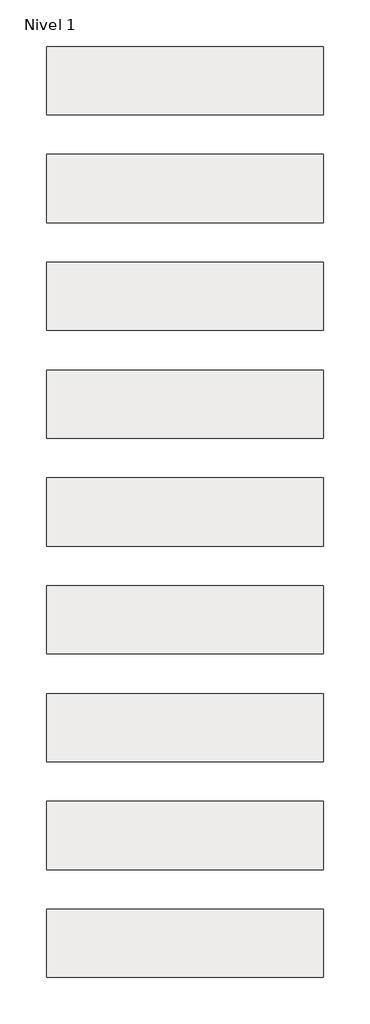
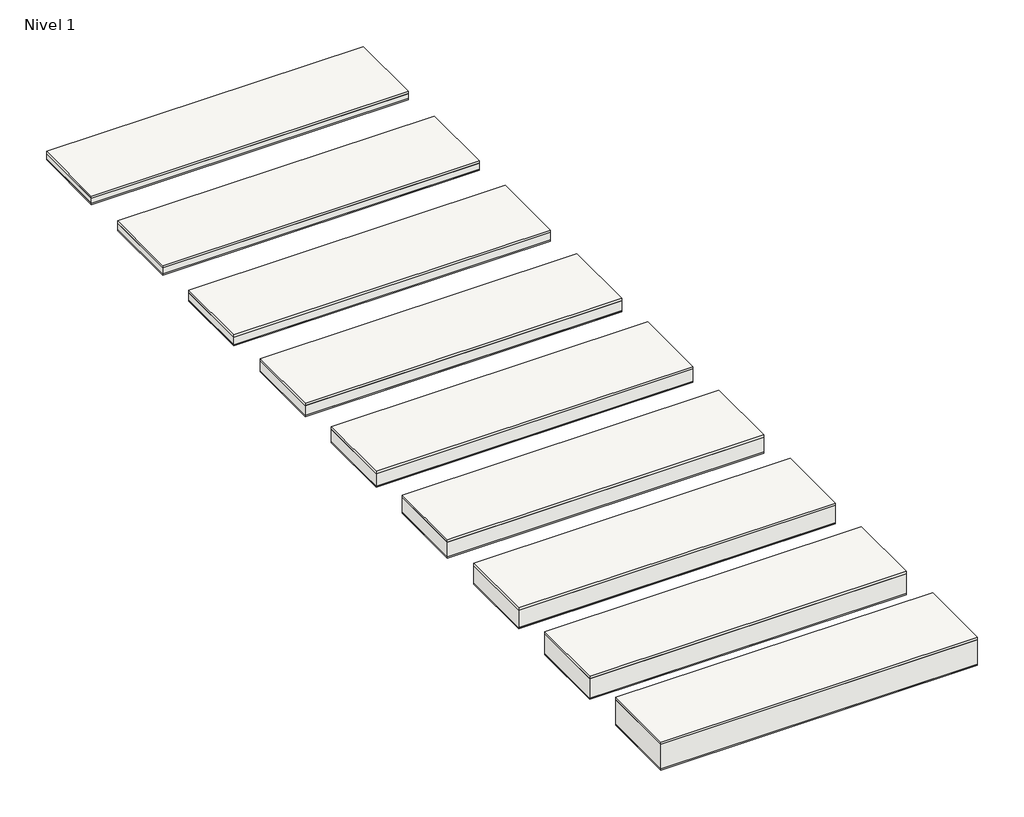
# One storey: 9 roofs.
"""IFC4 building model written with IfcOpenShell, lengths in millimetres."""

from ifc_helpers import new_model, si_unit, frame, origin, origin_with_axes, place, context, project, spatial, polyline, outline, extrude, element, save

model = new_model("IFC4")

# Units and contexts
model_context = context("Model", 3, world=origin())
ifc_project = project(units=[si_unit("LENGTHUNIT", "METRE", prefix="MILLI")], contexts=[model_context])

# Site, building, storey
site = spatial("IfcSite", under=ifc_project)
building = spatial("IfcBuilding", under=site)
storey = spatial("IfcBuildingStorey", under=building, Name="Nivel 1", Elevation=0.0)

# Roofs
placement = place(None, origin())
element("IfcRoof", 1, at=placement, inside=storey, context=model_context, shape_type="SweptSolid", body=[
    extrude(outline(polyline([(-3824.6699095, -6894.5376473), (-1384.6699095, -6894.5376473), (-1384.6699095, -7494.5376473), (-3824.6699095, -7494.5376473), (-3824.6699095, -6894.5376473)])), frame((0.0, 0.0, 60.0), z_axis=(0.0, 0.0, 1.0), x_axis=(1.0, 0.0, 0.0)), (0.0, 0.0, 1.0), 19.0),
    extrude(outline(polyline([(-3824.6699095, -6894.5376473), (-1384.6699095, -6894.5376473), (-1384.6699095, -7494.5376473), (-3824.6699095, -7494.5376473), (-3824.6699095, -6894.5376473)])), frame((0.0, 0.0, 10.0), z_axis=(0.0, 0.0, 1.0), x_axis=(1.0, 0.0, 0.0)), (0.0, 0.0, 1.0), 50.0),
    extrude(outline(polyline([(-3824.6699095, -6894.5376473), (-1384.6699095, -6894.5376473), (-1384.6699095, -7494.5376473), (-3824.6699095, -7494.5376473), (-3824.6699095, -6894.5376473)])), origin_with_axes(), (0.0, 0.0, 1.0), 10.0),
])
element("IfcRoof", 2, at=placement, inside=storey, context=model_context, shape_type="SweptSolid", body=[
    extrude(outline(polyline([(-3824.6699095, -5944.5376473), (-1384.6699095, -5944.5376473), (-1384.6699095, -6544.5376473), (-3824.6699095, -6544.5376473), (-3824.6699095, -5944.5376473)])), frame((0.0, 0.0, 50.0), z_axis=(0.0, 0.0, 1.0), x_axis=(1.0, 0.0, 0.0)), (0.0, 0.0, 1.0), 19.0),
    extrude(outline(polyline([(-3824.6699095, -5944.5376473), (-1384.6699095, -5944.5376473), (-1384.6699095, -6544.5376473), (-3824.6699095, -6544.5376473), (-3824.6699095, -5944.5376473)])), frame((0.0, 0.0, 10.0), z_axis=(0.0, 0.0, 1.0), x_axis=(1.0, 0.0, 0.0)), (0.0, 0.0, 1.0), 40.0),
    extrude(outline(polyline([(-3824.6699095, -5944.5376473), (-1384.6699095, -5944.5376473), (-1384.6699095, -6544.5376473), (-3824.6699095, -6544.5376473), (-3824.6699095, -5944.5376473)])), origin_with_axes(), (0.0, 0.0, 1.0), 10.0),
])
element("IfcRoof", 3, at=placement, inside=storey, context=model_context, shape_type="SweptSolid", body=[
    extrude(outline(polyline([(-3824.6699095, -7844.5376473), (-1384.6699095, -7844.5376473), (-1384.6699095, -8444.5376473), (-3824.6699095, -8444.5376473), (-3824.6699095, -7844.5376473)])), frame((0.0, 0.0, 70.0), z_axis=(0.0, 0.0, 1.0), x_axis=(1.0, 0.0, 0.0)), (0.0, 0.0, 1.0), 19.0),
    extrude(outline(polyline([(-3824.6699095, -7844.5376473), (-1384.6699095, -7844.5376473), (-1384.6699095, -8444.5376473), (-3824.6699095, -8444.5376473), (-3824.6699095, -7844.5376473)])), frame((0.0, 0.0, 10.0), z_axis=(0.0, 0.0, 1.0), x_axis=(1.0, 0.0, 0.0)), (0.0, 0.0, 1.0), 60.0),
    extrude(outline(polyline([(-3824.6699095, -7844.5376473), (-1384.6699095, -7844.5376473), (-1384.6699095, -8444.5376473), (-3824.6699095, -8444.5376473), (-3824.6699095, -7844.5376473)])), origin_with_axes(), (0.0, 0.0, 1.0), 10.0),
])
element("IfcRoof", 4, at=placement, inside=storey, context=model_context, shape_type="SweptSolid", body=[
    extrude(outline(polyline([(-3824.6699095, -8794.5376473), (-1384.6699095, -8794.5376473), (-1384.6699095, -9394.5376473), (-3824.6699095, -9394.5376473), (-3824.6699095, -8794.5376473)])), frame((0.0, 0.0, 90.0), z_axis=(0.0, 0.0, 1.0), x_axis=(1.0, 0.0, 0.0)), (0.0, 0.0, 1.0), 19.0),
    extrude(outline(polyline([(-3824.6699095, -8794.5376473), (-1384.6699095, -8794.5376473), (-1384.6699095, -9394.5376473), (-3824.6699095, -9394.5376473), (-3824.6699095, -8794.5376473)])), frame((0.0, 0.0, 10.0), z_axis=(0.0, 0.0, 1.0), x_axis=(1.0, 0.0, 0.0)), (0.0, 0.0, 1.0), 80.0),
    extrude(outline(polyline([(-3824.6699095, -8794.5376473), (-1384.6699095, -8794.5376473), (-1384.6699095, -9394.5376473), (-3824.6699095, -9394.5376473), (-3824.6699095, -8794.5376473)])), origin_with_axes(), (0.0, 0.0, 1.0), 10.0),
])
element("IfcRoof", 5, at=placement, inside=storey, context=model_context, shape_type="SweptSolid", body=[
    extrude(outline(polyline([(-3824.6699095, -9744.5376473), (-1384.6699095, -9744.5376473), (-1384.6699095, -10344.5376473), (-3824.6699095, -10344.5376473), (-3824.6699095, -9744.5376473)])), frame((0.0, 0.0, 110.0), z_axis=(0.0, 0.0, 1.0), x_axis=(1.0, 0.0, 0.0)), (0.0, 0.0, 1.0), 19.0),
    extrude(outline(polyline([(-3824.6699095, -9744.5376473), (-1384.6699095, -9744.5376473), (-1384.6699095, -10344.5376473), (-3824.6699095, -10344.5376473), (-3824.6699095, -9744.5376473)])), frame((0.0, 0.0, 10.0), z_axis=(0.0, 0.0, 1.0), x_axis=(1.0, 0.0, 0.0)), (0.0, 0.0, 1.0), 100.0),
    extrude(outline(polyline([(-3824.6699095, -9744.5376473), (-1384.6699095, -9744.5376473), (-1384.6699095, -10344.5376473), (-3824.6699095, -10344.5376473), (-3824.6699095, -9744.5376473)])), origin_with_axes(), (0.0, 0.0, 1.0), 10.0),
])
element("IfcRoof", 6, at=placement, inside=storey, context=model_context, shape_type="SweptSolid", body=[
    extrude(outline(polyline([(-3824.6699095, -10694.5376473), (-1384.6699095, -10694.5376473), (-1384.6699095, -11294.5376473), (-3824.6699095, -11294.5376473), (-3824.6699095, -10694.5376473)])), frame((0.0, 0.0, 130.0), z_axis=(0.0, 0.0, 1.0), x_axis=(1.0, 0.0, 0.0)), (0.0, 0.0, 1.0), 19.0),
    extrude(outline(polyline([(-3824.6699095, -10694.5376473), (-1384.6699095, -10694.5376473), (-1384.6699095, -11294.5376473), (-3824.6699095, -11294.5376473), (-3824.6699095, -10694.5376473)])), frame((0.0, 0.0, 10.0), z_axis=(0.0, 0.0, 1.0), x_axis=(1.0, 0.0, 0.0)), (0.0, 0.0, 1.0), 120.0),
    extrude(outline(polyline([(-3824.6699095, -10694.5376473), (-1384.6699095, -10694.5376473), (-1384.6699095, -11294.5376473), (-3824.6699095, -11294.5376473), (-3824.6699095, -10694.5376473)])), origin_with_axes(), (0.0, 0.0, 1.0), 10.0),
])
element("IfcRoof", 7, at=placement, inside=storey, context=model_context, shape_type="SweptSolid", body=[
    extrude(outline(polyline([(-3824.6699095, -11644.5376473), (-1384.6699095, -11644.5376473), (-1384.6699095, -12244.5376473), (-3824.6699095, -12244.5376473), (-3824.6699095, -11644.5376473)])), frame((0.0, 0.0, 150.0), z_axis=(0.0, 0.0, 1.0), x_axis=(1.0, 0.0, 0.0)), (0.0, 0.0, 1.0), 19.0),
    extrude(outline(polyline([(-3824.6699095, -11644.5376473), (-1384.6699095, -11644.5376473), (-1384.6699095, -12244.5376473), (-3824.6699095, -12244.5376473), (-3824.6699095, -11644.5376473)])), frame((0.0, 0.0, 10.0), z_axis=(0.0, 0.0, 1.0), x_axis=(1.0, 0.0, 0.0)), (0.0, 0.0, 1.0), 140.0),
    extrude(outline(polyline([(-3824.6699095, -11644.5376473), (-1384.6699095, -11644.5376473), (-1384.6699095, -12244.5376473), (-3824.6699095, -12244.5376473), (-3824.6699095, -11644.5376473)])), origin_with_axes(), (0.0, 0.0, 1.0), 10.0),
])
element("IfcRoof", 8, at=placement, inside=storey, context=model_context, shape_type="SweptSolid", body=[
    extrude(outline(polyline([(-3824.6699095, -12594.5376473), (-1384.6699095, -12594.5376473), (-1384.6699095, -13194.5376473), (-3824.6699095, -13194.5376473), (-3824.6699095, -12594.5376473)])), frame((0.0, 0.0, 170.0), z_axis=(0.0, 0.0, 1.0), x_axis=(1.0, 0.0, 0.0)), (0.0, 0.0, 1.0), 19.0),
    extrude(outline(polyline([(-3824.6699095, -12594.5376473), (-1384.6699095, -12594.5376473), (-1384.6699095, -13194.5376473), (-3824.6699095, -13194.5376473), (-3824.6699095, -12594.5376473)])), frame((0.0, 0.0, 10.0), z_axis=(0.0, 0.0, 1.0), x_axis=(1.0, 0.0, 0.0)), (0.0, 0.0, 1.0), 160.0),
    extrude(outline(polyline([(-3824.6699095, -12594.5376473), (-1384.6699095, -12594.5376473), (-1384.6699095, -13194.5376473), (-3824.6699095, -13194.5376473), (-3824.6699095, -12594.5376473)])), origin_with_axes(), (0.0, 0.0, 1.0), 10.0),
])
element("IfcRoof", 9, at=placement, inside=storey, context=model_context, shape_type="SweptSolid", body=[
    extrude(outline(polyline([(-3824.6699095, -13544.5376473), (-1384.6699095, -13544.5376473), (-1384.6699095, -14144.5376473), (-3824.6699095, -14144.5376473), (-3824.6699095, -13544.5376473)])), frame((0.0, 0.0, 210.0), z_axis=(0.0, 0.0, 1.0), x_axis=(1.0, 0.0, 0.0)), (0.0, 0.0, 1.0), 19.0),
    extrude(outline(polyline([(-3824.6699095, -13544.5376473), (-1384.6699095, -13544.5376473), (-1384.6699095, -14144.5376473), (-3824.6699095, -14144.5376473), (-3824.6699095, -13544.5376473)])), frame((0.0, 0.0, 10.0), z_axis=(0.0, 0.0, 1.0), x_axis=(1.0, 0.0, 0.0)), (0.0, 0.0, 1.0), 200.0),
    extrude(outline(polyline([(-3824.6699095, -13544.5376473), (-1384.6699095, -13544.5376473), (-1384.6699095, -14144.5376473), (-3824.6699095, -14144.5376473), (-3824.6699095, -13544.5376473)])), origin_with_axes(), (0.0, 0.0, 1.0), 10.0),
])

save(model, "model.ifc")
